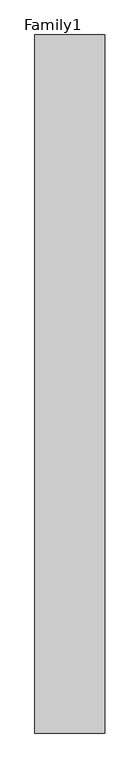
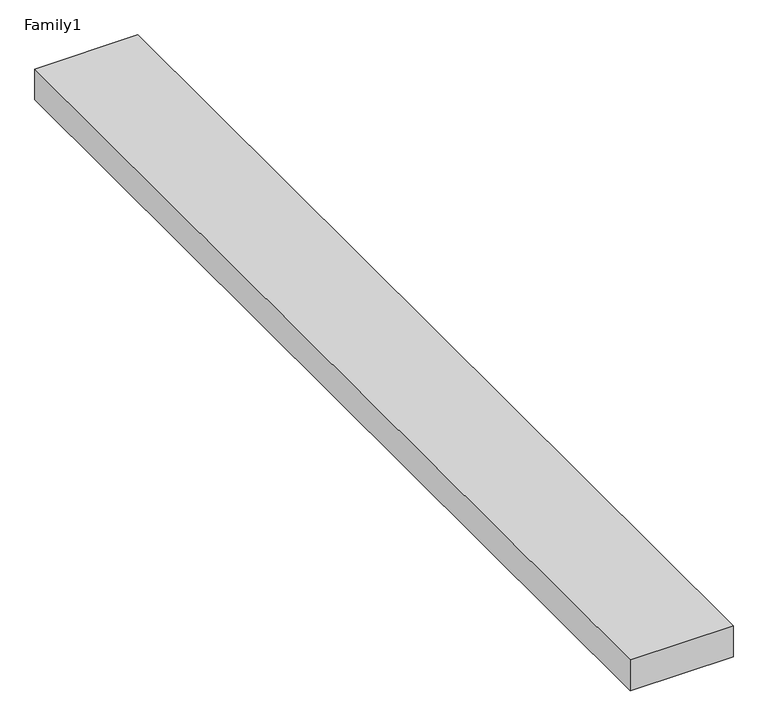
"""IFC4 building model written with IfcOpenShell, lengths in millimetres: proxy geometry, Family1."""

from ifc_helpers import new_model, si_unit, origin, origin_with_axes, place, context, project, spatial, polyline, outline, extrude, source, transform, mapped, element, save


def family1_ed01e1b1(model_context):
    return source(origin(), model_context, "Body", "SweptSolid", [
        extrude(outline(polyline([(5000.0, 0.0), (0.0, 0.0), (0.0, 50000.0), (5000.0, 50000.0), (5000.0, 0.0)])), origin_with_axes(), (0.0, 0.0, 1.0), 1584.0),
    ])


if __name__ == "__main__":
    model = new_model("IFC4")
    model_context = context("Model", 3, world=origin())
    ifc_project = project(units=[si_unit("LENGTHUNIT", "METRE", prefix="MILLI")], contexts=[model_context])
    site = spatial("IfcSite", under=ifc_project)
    building = spatial("IfcBuilding", under=site)
    placement = place(None, origin())
    family1_shape = family1_ed01e1b1(model_context)
    element("IfcBuildingElementProxy", 1, Name="Family1", ObjectType="Family1", at=placement, inside=building, context=model_context, shape_type="MappedRepresentation", body=[
        mapped(family1_shape, transform((0.0, 0.0, 0.0), x_axis=(1.0, 0.0, 0.0), y_axis=(0.0, 1.0, 0.0), z_axis=(0.0, 0.0, 1.0))),
    ])
    save(model, "model.ifc")
